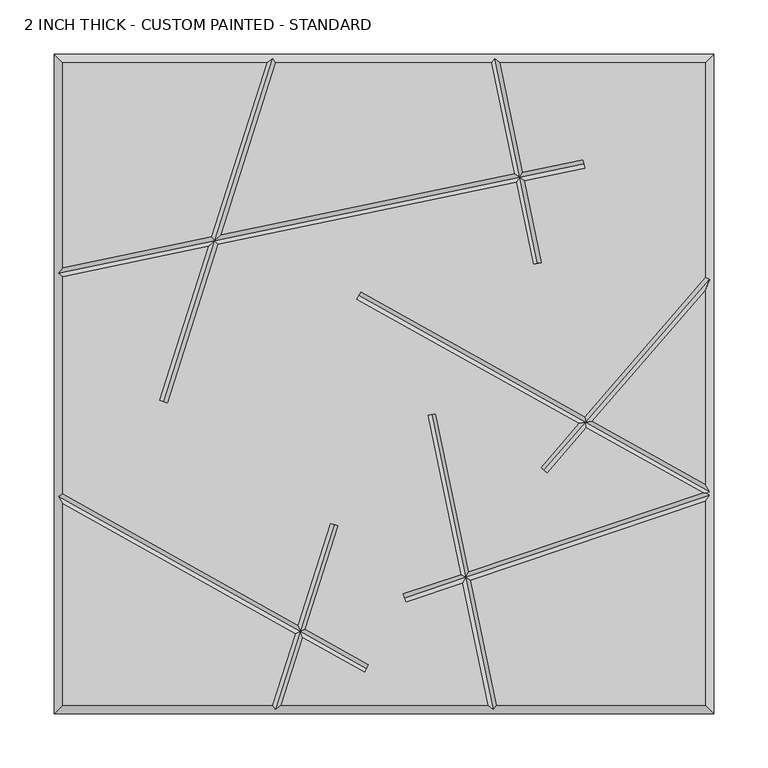
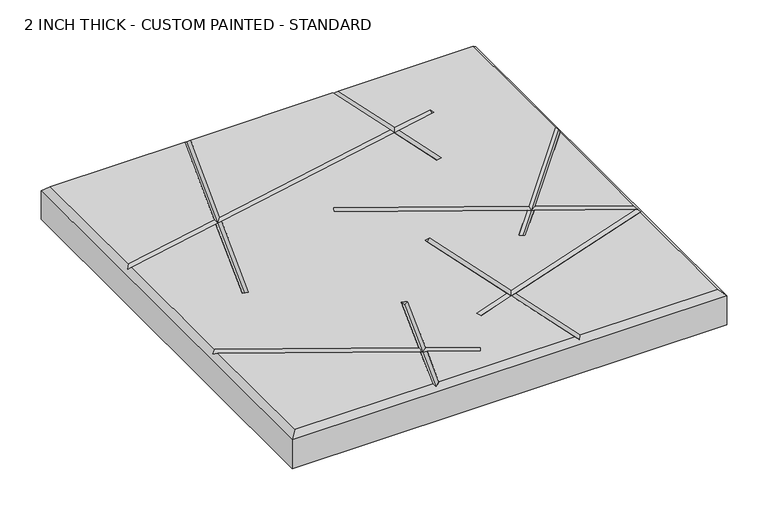
"""IFC4 building model written with IfcOpenShell, lengths in millimetres: proxy geometry, 2 INCH THICK - CUSTOM PAINTED - STANDARD."""

import ifcopenshell
import ifcopenshell.guid

model = None  # the IFC model being written
_history = None  # IfcOwnerHistory: only IFC2X3 demands one
_inside = {}  # id of a spatial element -> (the spatial element, [elements in it])
_under = {}  # id of a project, library or spatial element -> (it, [spatial elements below it])
_declared = {}  # id of a project -> (the project, [libraries it declares])
_typed = {}  # id of a type object -> (the type object, [elements of that type])
_made_of = {}  # id of a material, layer set ... -> (it, [elements and type objects made of it])


def new_model(schema):
    """Start an empty IFC model of exactly this schema.

    Asked for "IFC4X3", IfcOpenShell would pick the latest addendum, in which some entities
    have other attributes; the version numbers below select the first issue.
    IFC2X3 requires an IfcOwnerHistory on every rooted entity: one is made here for all.
    """
    global model, _history
    if schema == "IFC4X3":
        model = ifcopenshell.file(schema_version=(4, 3, 0, 0))
    else:
        model = ifcopenshell.file(schema=schema)
    _inside.clear()
    _under.clear()
    _declared.clear()
    _typed.clear()
    _made_of.clear()
    _history = None
    if model.schema == "IFC2X3":
        org = make("IfcOrganization", Name="unknown")
        user = make(
            "IfcPersonAndOrganization",
            ThePerson=make("IfcPerson", FamilyName="unknown"),
            TheOrganization=org,
        )
        app = make(
            "IfcApplication",
            ApplicationDeveloper=org,
            Version="unknown",
            ApplicationFullName="unknown",
            ApplicationIdentifier="unknown",
        )
        _history = make(
            "IfcOwnerHistory",
            OwningUser=user,
            OwningApplication=app,
            ChangeAction="ADDED",
            CreationDate=0,
        )
    return model


def make(cls, **values):
    """One entity of the class cls with the attributes given. An attribute that is None is left unset."""
    return model.create_entity(
        cls, **{name: value for name, value in values.items() if value is not None}
    )


def rooted(cls, **values):
    """An entity with a GlobalId (a new one), such as an element, a storey or a relation."""
    return make(cls, GlobalId=ifcopenshell.guid.new(), OwnerHistory=_history, **values)


def si_unit(unit_type, name, prefix=None):
    """IfcSIUnit, for example si_unit("LENGTHUNIT", "METRE", prefix="MILLI")."""
    return make("IfcSIUnit", UnitType=unit_type, Prefix=prefix, Name=name)


def assignment(units):
    """IfcUnitAssignment: the units of a project."""
    return None if units is None else make("IfcUnitAssignment", Units=units)


def point(xyz):
    """IfcCartesianPoint."""
    return None if xyz is None else make("IfcCartesianPoint", Coordinates=xyz)


def direction(xyz):
    """IfcDirection."""
    return None if xyz is None else make("IfcDirection", DirectionRatios=xyz)


def frame(location, z_axis=None, x_axis=None):
    """IfcAxis2Placement3D, a coordinate frame: its origin and axes. An axis left out is left unset."""
    return make(
        "IfcAxis2Placement3D",
        Location=point(location),
        Axis=direction(z_axis),
        RefDirection=direction(x_axis),
    )


def origin():
    """The frame at (0, 0, 0) with its axes left unset."""
    return frame((0.0, 0.0, 0.0))


def place(relative_to, where):
    """IfcLocalPlacement: puts the frame where relative to a parent placement (None: the world)."""
    return make(
        "IfcLocalPlacement", PlacementRelTo=relative_to, RelativePlacement=where
    )


def context(
    kind, dimensions, precision=None, world=None, true_north=None, identifier=None
):
    """IfcGeometricRepresentationContext, for example the 3D "Model" context."""
    return make(
        "IfcGeometricRepresentationContext",
        ContextIdentifier=identifier,
        ContextType=kind,
        CoordinateSpaceDimension=dimensions,
        Precision=precision,
        WorldCoordinateSystem=world,
        TrueNorth=true_north,
    )


def project(units=None, contexts=None):
    """IfcProject with its units and contexts."""
    return rooted(
        "IfcProject",
        Name="project",
        RepresentationContexts=contexts,
        UnitsInContext=assignment(units),
    )


def spatial(cls, under=None, at=None, **own):
    """A site, building, storey or space (cls), placed at a placement, below another one or the project."""
    s = rooted(cls, ObjectPlacement=at, **own)
    if under is not None:
        _under.setdefault(under.id(), (under, []))[1].append(s)
    return s


def faces_of(points, faces, orient=None, outer=None):
    """IfcFace entities. A face is a list of loops; a loop is a list of indices into points, from 0.

    orient and outer hold one flag for each loop. By default every Orientation is true, the
    first loop of a face is its IfcFaceOuterBound and the others are IfcFaceBound.
    """
    made = []
    for i, loops in enumerate(faces):
        bounds = []
        for j, loop in enumerate(loops):
            is_outer = j == 0 if outer is None else outer[i][j]
            bounds.append(
                make(
                    "IfcFaceOuterBound" if is_outer else "IfcFaceBound",
                    Bound=make("IfcPolyLoop", Polygon=[points[k] for k in loop]),
                    Orientation=True if orient is None else orient[i][j],
                )
            )
        made.append(make("IfcFace", Bounds=bounds))
    return made


def faceted_brep(points, faces, orient=None, outer=None, voids=None):
    """IfcFacetedBrep: a solid bounded by flat faces; with voids (closed shells), ...WithVoids."""
    shared = [point(p) for p in points]
    hull = make("IfcClosedShell", CfsFaces=faces_of(shared, faces, orient, outer))
    if voids is None:
        return make("IfcFacetedBrep", Outer=hull)
    return make(
        "IfcFacetedBrepWithVoids",
        Outer=hull,
        Voids=[
            make(cls, CfsFaces=faces_of(shared, fs, o, b)) for cls, fs, o, b in voids
        ],
    )


def shape(context_of_items, identifier, shape_type, items):
    """IfcShapeRepresentation: the items that make up one representation, for example the "Body"."""
    return make(
        "IfcShapeRepresentation",
        ContextOfItems=context_of_items,
        RepresentationIdentifier=identifier,
        RepresentationType=shape_type,
        Items=items,
    )


def source(mapping_origin, context_of_items, identifier, shape_type, items):
    """IfcRepresentationMap: a shape defined once, which mapped items show again and again."""
    return make(
        "IfcRepresentationMap",
        MappingOrigin=mapping_origin,
        MappedRepresentation=shape(context_of_items, identifier, shape_type, items),
    )


def transform(
    local_origin,
    x_axis=None,
    y_axis=None,
    z_axis=None,
    scale=None,
    scale2=None,
    scale3=None,
    uniform=True,
):
    """IfcCartesianTransformationOperator3D, or its non-uniform kind. x_axis, y_axis, z_axis: its Axis1, 2, 3."""
    if uniform:
        return make(
            "IfcCartesianTransformationOperator3D",
            Axis1=direction(x_axis),
            Axis2=direction(y_axis),
            LocalOrigin=point(local_origin),
            Scale=scale,
            Axis3=direction(z_axis),
        )
    return make(
        "IfcCartesianTransformationOperator3DnonUniform",
        Axis1=direction(x_axis),
        Axis2=direction(y_axis),
        LocalOrigin=point(local_origin),
        Scale=scale,
        Axis3=direction(z_axis),
        Scale2=scale2,
        Scale3=scale3,
    )


def mapped(mapping_source, mapping_target):
    """IfcMappedItem: shows the shape of a source again, moved by a transform."""
    return make(
        "IfcMappedItem", MappingSource=mapping_source, MappingTarget=mapping_target
    )


def made_of(thing, what):
    """Note that an element or type object is made of a material, layer set ...; save() writes the relation."""
    if what is not None:
        _made_of.setdefault(what.id(), (what, []))[1].append(thing)
    return thing


def element(
    cls,
    number,
    at=None,
    inside=None,
    cuts=None,
    type_object=None,
    material=None,
    context=None,
    identifier="Body",
    shape_type=None,
    held_by="IfcProductDefinitionShape",
    body=None,
    shapes=None,
    **own,
):
    """One element of the class cls, such as IfcWall. Its Tag is "e" and its number.

    at: its placement. inside: the storey or other place that contains it. cuts: it is an
    opening in that element (IfcRelVoidsElement). A single representation is given by context,
    identifier, shape_type and body (its items); several are given by shapes. held_by: the class
    of the entity that holds the representations. save() writes the other relations.
    """
    e = rooted(cls, Tag="e%d" % number, ObjectPlacement=at, **own)
    if body is not None:
        shapes = [shape(context, identifier, shape_type, body)]
    if shapes is not None:
        e.Representation = make(held_by, Representations=shapes)
    if inside is not None:
        _inside.setdefault(inside.id(), (inside, []))[1].append(e)
    if cuts is not None:
        rooted(
            "IfcRelVoidsElement", RelatingBuildingElement=cuts, RelatedOpeningElement=e
        )
    if type_object is not None:
        _typed.setdefault(type_object.id(), (type_object, []))[1].append(e)
    return made_of(e, material)


def aggregate(whole, parts):
    """IfcRelAggregates: a whole, such as a stair, and the parts it consists of."""
    return rooted("IfcRelAggregates", RelatingObject=whole, RelatedObjects=parts)


def save(model, path):
    """Write the relations noted so far, then the file.

    IfcRelAggregates (storeys below a building ...), IfcRelContainedInSpatialStructure (elements
    in a storey), IfcRelDefinesByType, IfcRelAssociatesMaterial and IfcRelDeclares: one each for
    every whole, place, type object, material and project.
    """
    for whole, parts in _under.values():
        aggregate(whole, parts)
    for where, things in _inside.values():
        rooted(
            "IfcRelContainedInSpatialStructure",
            RelatedElements=things,
            RelatingStructure=where,
        )
    for kind, things in _typed.values():
        rooted("IfcRelDefinesByType", RelatedObjects=things, RelatingType=kind)
    for what, things in _made_of.values():
        rooted("IfcRelAssociatesMaterial", RelatedObjects=things, RelatingMaterial=what)
    for by, libraries in _declared.values():
        rooted("IfcRelDeclares", RelatingContext=by, RelatedDefinitions=libraries)
    model.write(path)


def proxy_2_inch_thick_custom_painted_standard_f29bc3d4(model_context):
    return source(origin(), model_context, "Body", "Brep", [
        faceted_brep([(-296.799, 296.799, 50.8), (-296.799, 107.3480638, 50.8), (-159.4586078, 135.8795502, 50.8), (-108.3391886, 296.799, 50.8), (296.799, -296.799, 50.8), (296.799, -108.5119669, 50.8), (80.0538834, -181.4165569, 50.8), (104.0237625, -296.799, 50.8), (-296.799, -110.6534853, 50.8), (-296.799, -296.799, 50.8), (-103.2558195, -296.799, 50.8), (-82.2134891, -230.5595886, 50.8), (184.2546922, 207.2835354, 50.8), (185.8820968, 199.4497907, 50.8), (129.9840642, 187.8373734, 50.8), (145.7029214, 112.1724049, 50.8), (137.8691767, 110.5450004, 50.8), (122.1503195, 186.2099688, 50.8), (-153.2498082, 128.9975577, 50.8), (-199.8388724, -17.6607318, 50.8), (-207.4643565, -15.2383377, 50.8), (-162.2379804, 127.130329, 50.8), (-296.799, 99.1762375, 50.8), (-296.799, -101.4881131, 50.8), (-79.7408339, -222.7758868, 50.8), (-49.8549585, -128.6977715, 50.8), (-42.2294744, -131.1201655, 50.8), (-72.6113646, -226.7596921, 50.8), (-13.9611021, -259.5322889, 50.8), (-17.8639294, -266.516839, 50.8), (-75.0840198, -234.5433938, 50.8), (-94.8608114, -296.799, 50.8), (95.8519362, -296.799, 50.8), (72.4157815, -183.985716, 50.8), (20.0037035, -201.6150916, 50.8), (17.4529106, -194.0315926, 50.8), (70.7766593, -176.0955667, 50.8), (40.2072869, -28.9455186, 50.8), (48.0410316, -27.318114, 50.8), (78.4147612, -173.5264076, 50.8), (294.9653156, -100.6872606, 50.8), (187.1012518, -40.4149733, 50.8), (150.6770336, -82.4732231, 50.8), (144.6288963, -77.2352812, 50.8), (179.9685456, -36.4293593, 50.8), (-25.4958806, 78.3800638, 50.8), (-21.5930534, 85.3646139, 50.8), (185.3175947, -30.2529291, 50.8), (296.799, 98.472217, 50.8), (296.799, 296.799, 50.8), (107.3480638, 296.799, 50.8), (128.3566596, 195.671118, 50.8), (-99.9441805, 296.799, 50.8), (-150.4704356, 137.7467788, 50.8), (120.522915, 194.0437135, 50.8), (99.1762375, 296.799, 50.8), (192.4503009, -34.238543, 50.8), (296.799, -92.5465147, 50.8), (296.799, 86.2506228, 50.8), (-304.8, 304.8, 0.0), (304.8, 304.8, 0.0), (304.8, -304.8, 0.0), (-304.8, -304.8, 0.0), (-304.8, -304.8, 42.799), (-304.8, 304.8, 42.799), (304.8, -304.8, 42.799), (304.8, 304.8, 42.799), (-102.8708423, 300.7995, 46.7995), (102.4310753, 300.7995, 46.7995), (-300.7995, -103.8353996, 46.7995), (-300.7995, 102.4310753, 46.7995), (100.7689247, -300.7995, 46.7995), (-100.3291577, -300.7995, 46.7995), (300.7995, 96.9807099, 46.7995), (300.7995, -99.3646004, 46.7995), (298.0563573, -100.9741346, 49.5426427), (300.7995, -102.9456119, 46.7995), (185.0683945, 203.3666631, 46.7995), (-156.354208, 132.4385539, 46.7995), (125.2534896, 190.9405434, 46.7995), (-203.6516145, -16.4495347, 46.7995), (141.7860491, 111.3587027, 46.7995), (-23.544467, 81.8723389, 46.7995), (186.2094232, -35.3339512, 46.7995), (147.652965, -79.8542522, 46.7995), (18.728307, -197.8233421, 46.7995), (75.4152713, -178.7560618, 46.7995), (-15.9125158, -263.0245639, 46.7995), (-77.4124268, -228.6596403, 46.7995), (-46.0422164, -129.9089685, 46.7995), (44.1241593, -28.1318163, 46.7995)], [[[0, 1, 2, 3]], [[4, 5, 6, 7]], [[8, 9, 10, 11]], [[12, 13, 14, 15, 16, 17, 18, 19, 20, 21, 22, 23, 24, 25, 26, 27, 28, 29, 30, 31, 32, 33, 34, 35, 36, 37, 38, 39, 40, 41, 42, 43, 44, 45, 46, 47, 48, 49, 50, 51]], [[52, 53, 54, 55]], [[56, 57, 58]], [[59, 60, 61, 62]], [[59, 62, 63, 64]], [[62, 61, 65, 63]], [[61, 60, 66, 65]], [[60, 59, 64, 66]], [[64, 0, 3, 67, 52, 55, 68, 50, 49, 66]], [[0, 64, 63, 9, 8, 69, 23, 22, 70, 1]], [[9, 63, 65, 4, 7, 71, 32, 31, 72, 10]], [[66, 49, 48, 73, 58, 57, 74, 75, 76, 5, 4, 65]], [[12, 77, 13]], [[1, 70, 78, 2]], [[77, 12, 51, 79]], [[53, 78, 79, 54]], [[70, 22, 21, 78]], [[13, 77, 79, 14]], [[78, 18, 17, 79]], [[19, 80, 20]], [[80, 19, 18, 78]], [[67, 78, 53, 52]], [[20, 80, 78, 21]], [[78, 67, 3, 2]], [[15, 81, 16]], [[81, 15, 14, 79]], [[68, 79, 51, 50]], [[16, 81, 79, 17]], [[79, 68, 55, 54]], [[45, 82, 46]], [[74, 57, 56, 83]], [[46, 82, 83, 47]], [[82, 45, 44, 83]], [[74, 83, 41, 40, 75]], [[42, 84, 43]], [[84, 42, 41, 83]], [[73, 83, 56, 58]], [[43, 84, 83, 44]], [[83, 73, 48, 47]], [[34, 85, 35]], [[5, 76, 86, 6]], [[85, 34, 33, 86]], [[76, 75, 40, 39, 86]], [[35, 85, 86, 36]], [[28, 87, 29]], [[23, 69, 88, 24]], [[87, 28, 27, 88]], [[69, 8, 11, 88]], [[29, 87, 88, 30]], [[25, 89, 26]], [[89, 25, 24, 88]], [[72, 88, 11, 10]], [[26, 89, 88, 27]], [[88, 72, 31, 30]], [[37, 90, 38]], [[90, 37, 36, 86]], [[71, 86, 33, 32]], [[38, 90, 86, 39]], [[86, 71, 7, 6]]]),
    ])


if __name__ == "__main__":
    model = new_model("IFC4")
    model_context = context("Model", 3, world=origin())
    ifc_project = project(units=[si_unit("LENGTHUNIT", "METRE", prefix="MILLI")], contexts=[model_context])
    site = spatial("IfcSite", under=ifc_project)
    building = spatial("IfcBuilding", under=site)
    placement = place(None, origin())
    proxy_2_inch_thick_custom_painted_standard_shape = proxy_2_inch_thick_custom_painted_standard_f29bc3d4(model_context)
    element("IfcBuildingElementProxy", 1, Name="2 INCH THICK - CUSTOM PAINTED - STANDARD", ObjectType="2 INCH THICK - CUSTOM PAINTED - STANDARD", at=placement, inside=building, context=model_context, shape_type="MappedRepresentation", body=[
        mapped(proxy_2_inch_thick_custom_painted_standard_shape, transform((0.0, 0.0, 0.0), x_axis=(1.0, 0.0, 0.0), y_axis=(0.0, 1.0, 0.0), z_axis=(0.0, 0.0, 1.0))),
    ])
    save(model, "model.ifc")
